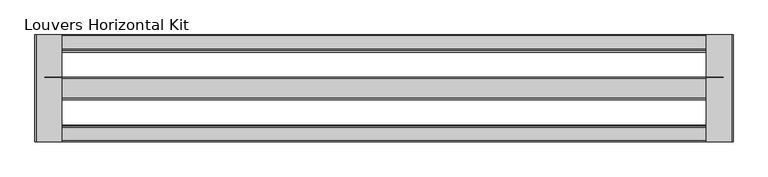
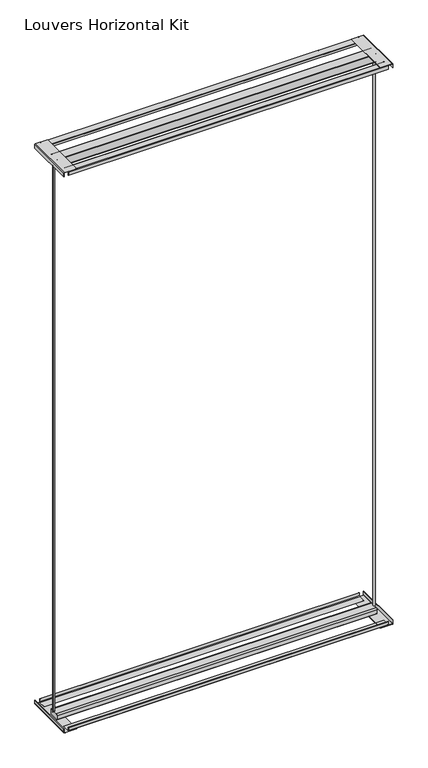
"""IFC4 building model written with IfcOpenShell, lengths in millimetres: proxy geometry, Louvers Horizontal Kit."""

from ifc_helpers import new_model, si_unit, point, frame, frame_2d, origin, place, context, project, spatial, polyline, circle_curve, trimmed, segment, composite_curve, outline, extrude, source, transform, mapped, element, save
from ifc_brep_helpers import plane_surface, extruded_surface, spline_curve, advanced_brep


def louvers_horizontal_kit_f5706574(model_context):
    return source(origin(), model_context, "Body", "SolidModel", [
        advanced_brep(
        [(-969.2080688, 120.8643375, 3016.9358), (-975.5410766, 120.8643375, 3016.9358), (-969.2080688, 120.8643375, 31.115), (-975.5410766, 120.8643375, 31.115)],
        [
            (0, 1, spline_curve(3, [(-969.2080688, 120.8643375, 3016.9358), (-968.346431651, 120.8643375, 3016.9358), (-968.592938619, 122.678814497, 3016.9358), (-968.170795677, 125.557771507, 3016.9358), (-967.197296601, 126.219830558, 3016.9358), (-965.893051679, 125.472512128, 3016.9358), (-965.474695585, 124.437044374, 3016.9358), (-964.711853267, 122.876749386, 3016.9358), (-964.372639749, 122.28921433, 3016.9358), (-963.783039441, 121.966510283, 3016.9358), (-963.527697432, 122.166468989, 3016.9358), (-963.388906304, 123.158462727, 3016.9358), (-963.563673111, 124.030851771, 3016.9358), (-964.361391369, 125.815290115, 3016.9358), (-965.103866149, 126.65959334, 3016.9358), (-966.886815359, 127.456197295, 3016.9358), (-967.90808438, 127.456197285, 3016.9358), (-969.591989813, 126.93883953, 3016.9358), (-970.248862942, 126.413516951, 3016.9358), (-971.306712359, 124.849776593, 3016.9358), (-971.731832089, 123.956570953, 3016.9358), (-972.556038916, 122.979614008, 3016.9358), (-972.954345323, 122.834642391, 3016.9358), (-973.565022803, 123.317250084, 3016.9358), (-973.793448578, 123.690551025, 3016.9358), (-974.326755292, 124.050596217, 3016.9358), (-974.61503674, 123.762314832, 3016.9358), (-975.701641567, 122.082377418, 3016.9358), (-976.416158108, 120.8643375, 3016.9358), (-975.5410766, 120.8643375, 3016.9358)], [4, 2, 2, 2, 2, 2, 2, 2, 2, 2, 2, 2, 2, 2, 4], [0.0, 0.008875458975060613, 0.020481200193104176, 0.029854806107422374, 0.03706210961387012, 0.04368861427224201, 0.051259934554953854, 0.06112024851948062, 0.07042349959220107, 0.079869975820476, 0.08715114258611921, 0.09382589082280558, 0.09814811090978548, 0.10456508278359171, 0.1100107556129994])),
            (1, 0),
            (2, 3),
            (3, 2, spline_curve(3, [(-975.5410766, 120.8643375, 31.115), (-976.416158108, 120.8643375, 31.115), (-975.701641567, 122.082377418, 31.115), (-974.61503674, 123.762314832, 31.115), (-974.326755292, 124.050596217, 31.115), (-973.793448578, 123.690551025, 31.115), (-973.565022803, 123.317250084, 31.115), (-972.954345323, 122.834642391, 31.115), (-972.556038916, 122.979614008, 31.115), (-971.731832089, 123.956570953, 31.115), (-971.306712359, 124.849776593, 31.115), (-970.248862942, 126.413516951, 31.115), (-969.591989813, 126.93883953, 31.115), (-967.90808438, 127.456197285, 31.115), (-966.886815359, 127.456197295, 31.115), (-965.103866149, 126.65959334, 31.115), (-964.361391369, 125.815290115, 31.115), (-963.563673111, 124.030851771, 31.115), (-963.388906304, 123.158462727, 31.115), (-963.527697432, 122.166468989, 31.115), (-963.783039441, 121.966510283, 31.115), (-964.372639749, 122.28921433, 31.115), (-964.711853267, 122.876749386, 31.115), (-965.474695585, 124.437044374, 31.115), (-965.893051679, 125.472512128, 31.115), (-967.197296601, 126.219830558, 31.115), (-968.170795677, 125.557771507, 31.115), (-968.592938619, 122.678814497, 31.115), (-968.346431651, 120.8643375, 31.115), (-969.2080688, 120.8643375, 31.115)], [4, 2, 2, 2, 2, 2, 2, 2, 2, 2, 2, 2, 2, 2, 4], [0.0, 0.005445672829407694, 0.011862644703213923, 0.01618486479019382, 0.022859613026880193, 0.0301407797925234, 0.039587256020798336, 0.04889050709351878, 0.05875082105804555, 0.0663221413407574, 0.07294864599912929, 0.08015594950557703, 0.08952955541989523, 0.10113529663793878, 0.1100107556129994])),
            (0, 2),
            (3, 1),
        ],
        [
            plane_surface(frame((-140.5124567, 122.4609375, 3016.9358), z_axis=(0.0, 0.0, 1.0), x_axis=(0.0, -1.0, 0.0))),
            plane_surface(frame((-140.5124567, 122.4609375, 31.115), z_axis=(0.0, 0.0, -1.0), x_axis=(0.0, -1.0, 0.0))),
            extruded_surface(spline_curve(3, [(-969.2080688, 120.8643375, 31.115), (-968.346431651, 120.8643375, 31.115), (-968.592938619, 122.678814497, 31.115), (-968.170795677, 125.557771507, 31.115), (-967.197296601, 126.219830558, 31.115), (-965.893051679, 125.472512128, 31.115), (-965.474695585, 124.437044374, 31.115), (-964.711853267, 122.876749386, 31.115), (-964.372639749, 122.28921433, 31.115), (-963.783039441, 121.966510283, 31.115), (-963.527697432, 122.166468989, 31.115), (-963.388906304, 123.158462727, 31.115), (-963.563673111, 124.030851771, 31.115), (-964.361391369, 125.815290115, 31.115), (-965.103866149, 126.65959334, 31.115), (-966.886815359, 127.456197295, 31.115), (-967.90808438, 127.456197285, 31.115), (-969.591989813, 126.93883953, 31.115), (-970.248862942, 126.413516951, 31.115), (-971.306712359, 124.849776593, 31.115), (-971.731832089, 123.956570953, 31.115), (-972.556038916, 122.979614008, 31.115), (-972.954345323, 122.834642391, 31.115), (-973.565022803, 123.317250084, 31.115), (-973.793448578, 123.690551025, 31.115), (-974.326755292, 124.050596217, 31.115), (-974.61503674, 123.762314832, 31.115), (-975.701641567, 122.082377418, 31.115), (-976.416158108, 120.8643375, 31.115), (-975.5410766, 120.8643375, 31.115)], [4, 2, 2, 2, 2, 2, 2, 2, 2, 2, 2, 2, 2, 2, 4], [0.0, 0.008875458975060613, 0.020481200193104176, 0.029854806107422374, 0.03706210961387012, 0.04368861427224201, 0.051259934554953854, 0.06112024851948062, 0.07042349959220107, 0.079869975820476, 0.08715114258611921, 0.09382589082280558, 0.09814811090978548, 0.10456508278359171, 0.1100107556129994]), (0.0, 0.0, 2985.8208000000004), 2985.8208000000004),
            plane_surface(frame((-975.5410766, 120.8643375, 3016.9358), z_axis=(0.0, -1.0, 0.0), x_axis=(0.0, 0.0, -1.0))),
        ],
        [
            (0, [[1, 2]]),
            (1, [[3, 4]]),
            (2, [[-1, 5, -4, 6]]),
            (3, [[-2, -6, -3, -5]]),
        ],
    ),
        advanced_brep(
        [(688.1582152, 124.0575375, 3016.9358), (694.4912229, 124.0575375, 3016.9358), (688.1582152, 124.0575375, 31.115), (694.4912229, 124.0575375, 31.115)],
        [
            (0, 1, spline_curve(3, [(688.1582152, 124.0575375, 3016.9358), (687.296578051, 124.0575375, 3016.9358), (687.543085019, 122.243060503, 3016.9358), (687.120942077, 119.364103493, 3016.9358), (686.147443001, 118.702044442, 3016.9358), (684.843198079, 119.449362872, 3016.9358), (684.424841985, 120.484830626, 3016.9358), (683.661999667, 122.045125614, 3016.9358), (683.322786149, 122.63266067, 3016.9358), (682.733185841, 122.955364717, 3016.9358), (682.477843832, 122.755406011, 3016.9358), (682.339052704, 121.763412273, 3016.9358), (682.513819511, 120.891023229, 3016.9358), (683.311537769, 119.106584885, 3016.9358), (684.054012549, 118.26228166, 3016.9358), (685.836961759, 117.465677705, 3016.9358), (686.85823078, 117.465677715, 3016.9358), (688.542136213, 117.98303547, 3016.9358), (689.199009342, 118.508358049, 3016.9358), (690.256858759, 120.072098407, 3016.9358), (690.681978489, 120.965304047, 3016.9358), (691.506185316, 121.942260992, 3016.9358), (691.904491723, 122.087232609, 3016.9358), (692.515169203, 121.604624916, 3016.9358), (692.743594978, 121.231323975, 3016.9358), (693.276901692, 120.871278783, 3016.9358), (693.56518304, 121.159560168, 3016.9358), (694.651787867, 122.839497582, 3016.9358), (695.366304408, 124.0575375, 3016.9358), (694.4912229, 124.0575375, 3016.9358)], [4, 2, 2, 2, 2, 2, 2, 2, 2, 2, 2, 2, 2, 2, 4], [0.0, 0.008875458975060613, 0.020481200193104176, 0.029854806107422374, 0.03706210961387012, 0.04368861427224201, 0.051259934554953854, 0.06112024851948062, 0.07042349959220107, 0.079869975820476, 0.08715114258611921, 0.09382589082280558, 0.09814811090978548, 0.10456508278359171, 0.1100107556129994])),
            (1, 0),
            (2, 3),
            (3, 2, spline_curve(3, [(694.4912229, 124.0575375, 31.115), (695.366304408, 124.0575375, 31.115), (694.651787867, 122.839497582, 31.115), (693.56518304, 121.159560168, 31.115), (693.276901692, 120.871278783, 31.115), (692.743594978, 121.231323975, 31.115), (692.515169203, 121.604624916, 31.115), (691.904491723, 122.087232609, 31.115), (691.506185316, 121.942260992, 31.115), (690.681978489, 120.965304047, 31.115), (690.256858759, 120.072098407, 31.115), (689.199009342, 118.508358049, 31.115), (688.542136213, 117.98303547, 31.115), (686.85823078, 117.465677715, 31.115), (685.836961759, 117.465677705, 31.115), (684.054012549, 118.26228166, 31.115), (683.311537769, 119.106584885, 31.115), (682.513819511, 120.891023229, 31.115), (682.339052704, 121.763412273, 31.115), (682.477843832, 122.755406011, 31.115), (682.733185841, 122.955364717, 31.115), (683.322786149, 122.63266067, 31.115), (683.661999667, 122.045125614, 31.115), (684.424841985, 120.484830626, 31.115), (684.843198079, 119.449362872, 31.115), (686.147443001, 118.702044442, 31.115), (687.120942077, 119.364103493, 31.115), (687.543085019, 122.243060503, 31.115), (687.296578051, 124.0575375, 31.115), (688.1582152, 124.0575375, 31.115)], [4, 2, 2, 2, 2, 2, 2, 2, 2, 2, 2, 2, 2, 2, 4], [0.0, 0.005445672829407694, 0.011862644703213923, 0.01618486479019382, 0.022859613026880193, 0.0301407797925234, 0.039587256020798336, 0.04889050709351878, 0.05875082105804555, 0.0663221413407574, 0.07294864599912929, 0.08015594950557703, 0.08952955541989523, 0.10113529663793878, 0.1100107556129994])),
            (0, 2),
            (3, 1),
        ],
        [
            plane_surface(frame((-140.5124567, 122.4609375, 3016.9358), z_axis=(0.0, 0.0, 1.0), x_axis=(0.0, -1.0, 0.0))),
            plane_surface(frame((-140.5124567, 122.4609375, 31.115), z_axis=(0.0, 0.0, -1.0), x_axis=(0.0, -1.0, 0.0))),
            extruded_surface(spline_curve(3, [(688.1582152, 124.0575375, 31.115), (687.296578051, 124.0575375, 31.115), (687.543085019, 122.243060503, 31.115), (687.120942077, 119.364103493, 31.115), (686.147443001, 118.702044442, 31.115), (684.843198079, 119.449362872, 31.115), (684.424841985, 120.484830626, 31.115), (683.661999667, 122.045125614, 31.115), (683.322786149, 122.63266067, 31.115), (682.733185841, 122.955364717, 31.115), (682.477843832, 122.755406011, 31.115), (682.339052704, 121.763412273, 31.115), (682.513819511, 120.891023229, 31.115), (683.311537769, 119.106584885, 31.115), (684.054012549, 118.26228166, 31.115), (685.836961759, 117.465677705, 31.115), (686.85823078, 117.465677715, 31.115), (688.542136213, 117.98303547, 31.115), (689.199009342, 118.508358049, 31.115), (690.256858759, 120.072098407, 31.115), (690.681978489, 120.965304047, 31.115), (691.506185316, 121.942260992, 31.115), (691.904491723, 122.087232609, 31.115), (692.515169203, 121.604624916, 31.115), (692.743594978, 121.231323975, 31.115), (693.276901692, 120.871278783, 31.115), (693.56518304, 121.159560168, 31.115), (694.651787867, 122.839497582, 31.115), (695.366304408, 124.0575375, 31.115), (694.4912229, 124.0575375, 31.115)], [4, 2, 2, 2, 2, 2, 2, 2, 2, 2, 2, 2, 2, 2, 4], [0.0, 0.008875458975060613, 0.020481200193104176, 0.029854806107422374, 0.03706210961387012, 0.04368861427224201, 0.051259934554953854, 0.06112024851948062, 0.07042349959220107, 0.079869975820476, 0.08715114258611921, 0.09382589082280558, 0.09814811090978548, 0.10456508278359171, 0.1100107556129994]), (0.0, 0.0, 2985.8208000000004), 2985.8208000000004),
            plane_surface(frame((694.4912229, 124.0575375, 3016.9358), z_axis=(0.0, 1.0, 0.0), x_axis=(0.0, 0.0, -1.0))),
        ],
        [
            (0, [[1, 2]]),
            (1, [[3, 4]]),
            (2, [[-1, 5, -4, 6]]),
            (3, [[-2, -6, -3, -5]]),
        ],
    ),
        extrude(outline(composite_curve([segment(polyline([(3057.8565742, -991.4124567), (3038.475, -991.4124567), (3038.475, -989.8249567), (3058.2567188, -989.8249567)]), True, "CONTINUOUS"), segment(trimmed(circle_curve(frame_2d((3058.2567188, -988.9691755)), 0.8557812), [point((3058.2567188, -989.8249567))], [point((3059.1125, -988.9691755))], True, "CARTESIAN"), True, "CONTINUOUS"), segment(polyline([(3059.1125, -988.9691755), (3059.1125, -926.3249567), (3060.7, -926.3249567), (3060.7, -988.5690309)]), True, "CONTINUOUS"), segment(trimmed(circle_curve(frame_2d((3057.8565742, -988.5690309)), 2.8434258), [point((3060.7, -988.5690309))], [point((3057.8565742, -991.4124567))], False, "CARTESIAN"), True, "CONTINUOUS")], self_intersect=False)), frame((0.0, -7.7140625, 0.0), z_axis=(0.0, 1.0, 0.0), x_axis=(0.0, 0.0, 1.0)), (0.0, 0.0, 1.0), 260.35),
        extrude(outline(composite_curve([segment(trimmed(circle_curve(frame_2d((3058.0053761, 707.6929194)), 1.1071239), [point((3059.1125, 707.6929194))], [point((3058.0053761, 708.8000433))], True, "CARTESIAN"), True, "CONTINUOUS"), segment(polyline([(3058.0053761, 708.8000433), (3038.475, 708.8000433), (3038.475, 710.3875433), (3058.0291953, 710.3875433)]), True, "CONTINUOUS"), segment(trimmed(circle_curve(frame_2d((3058.0291953, 707.7167386)), 2.6708047), [point((3058.0291953, 710.3875433))], [point((3060.7, 707.7167386))], False, "CARTESIAN"), True, "CONTINUOUS"), segment(polyline([(3060.7, 707.7167386), (3060.7, 645.3000433), (3059.1125, 645.3000433), (3059.1125, 707.6929194)]), True, "CONTINUOUS")], self_intersect=False)), frame((0.0, -7.7140625, 0.0), z_axis=(0.0, 1.0, 0.0), x_axis=(0.0, 0.0, 1.0)), (0.0, 0.0, 1.0), 260.35),
        extrude(outline(composite_curve([segment(polyline([(22.225, -989.8249567), (22.225, -991.4124567), (2.6985254, -991.4124567)]), True, "CONTINUOUS"), segment(trimmed(circle_curve(frame_2d((2.6985254, -988.7139313)), 2.6985254), [point((2.6985254, -991.4124567))], [point((0.0, -988.7139313))], False, "CARTESIAN"), True, "CONTINUOUS"), segment(polyline([(0.0, -988.7139313), (0.0, -926.3249567), (1.5875, -926.3249567), (1.5875, -988.7071948)]), True, "CONTINUOUS"), segment(trimmed(circle_curve(frame_2d((2.7052619, -988.7071948)), 1.1177619), [point((1.5875, -988.7071948))], [point((2.7052619, -989.8249567))], True, "CARTESIAN"), True, "CONTINUOUS"), segment(polyline([(2.7052619, -989.8249567), (22.225, -989.8249567)]), True, "CONTINUOUS")], self_intersect=False)), frame((0.0, -7.7140625, 0.0), z_axis=(0.0, 1.0, 0.0), x_axis=(0.0, 0.0, 1.0)), (0.0, 0.0, 1.0), 260.35),
        extrude(outline(composite_curve([segment(polyline([(1.5875, 645.3000433), (0.0, 645.3000433), (0.0, 707.3913593)]), True, "CONTINUOUS"), segment(trimmed(circle_curve(frame_2d((2.996184, 707.3913593)), 2.996184), [point((0.0, 707.3913593))], [point((2.996184, 710.3875433))], False, "CARTESIAN"), True, "CONTINUOUS"), segment(polyline([(2.996184, 710.3875433), (22.225, 710.3875433), (22.225, 708.8000433), (2.6812433, 708.8000433)]), True, "CONTINUOUS"), segment(trimmed(circle_curve(frame_2d((2.6812433, 707.7062999)), 1.0937433), [point((2.6812433, 708.8000433))], [point((1.5875, 707.7062999))], True, "CARTESIAN"), True, "CONTINUOUS"), segment(polyline([(1.5875, 707.7062999), (1.5875, 645.3000433)]), True, "CONTINUOUS")], self_intersect=False)), frame((0.0, -7.7140625, 0.0), z_axis=(0.0, 1.0, 0.0), x_axis=(0.0, 0.0, 1.0)), (0.0, 0.0, 1.0), 260.35),
        extrude(outline(composite_curve([segment(polyline([(251.4167375, 3038.2837), (251.4167375, 3056.8957431)]), True, "CONTINUOUS"), segment(trimmed(circle_curve(frame_2d((250.3556806, 3056.8957431)), 1.0610569), [point((251.4167375, 3056.8957431))], [point((250.3556806, 3057.9568))], True, "CARTESIAN"), True, "CONTINUOUS"), segment(polyline([(250.3556806, 3057.9568), (217.0862316, 3057.9568)]), True, "CONTINUOUS"), segment(trimmed(circle_curve(frame_2d((217.0862316, 3057.0067059)), 0.9500941), [point((217.0862316, 3057.9568))], [point((216.1361375, 3057.0067059))], True, "CARTESIAN"), True, "CONTINUOUS"), segment(polyline([(216.1361375, 3057.0067059), (216.1361375, 3046.476), (214.9169375, 3046.476), (214.9169375, 3056.9663772)]), True, "CONTINUOUS"), segment(trimmed(circle_curve(frame_2d((217.1265603, 3056.9663772)), 2.2096228), [point((214.9169375, 3056.9663772))], [point((217.1265603, 3059.176))], False, "CARTESIAN"), True, "CONTINUOUS"), segment(polyline([(217.1265603, 3059.176), (250.3692739, 3059.176)]), True, "CONTINUOUS"), segment(trimmed(circle_curve(frame_2d((250.3692739, 3056.9093364)), 2.2666636), [point((250.3692739, 3059.176))], [point((252.6359375, 3056.9093364))], False, "CARTESIAN"), True, "CONTINUOUS"), segment(polyline([(252.6359375, 3056.9093364), (252.6359375, 3038.2837), (251.4167375, 3038.2837)]), True, "CONTINUOUS")], self_intersect=False)), frame((-967.6126567, 0.0, 0.0), z_axis=(1.0, 0.0, 0.0), x_axis=(0.0, 1.0, 0.0)), (0.0, 0.0, 1.0), 1654.2004),
        extrude(outline(composite_curve([segment(trimmed(circle_curve(frame_2d((147.1993917, 3058.0115342)), 2.6884658), [point((147.1993917, 3060.7))], [point((149.8878575, 3058.0115342))], False, "CARTESIAN"), True, "CONTINUOUS"), segment(polyline([(149.8878575, 3058.0115342), (149.8878575, 3021.8509875)]), True, "CONTINUOUS"), segment(trimmed(circle_curve(frame_2d((144.97267, 3021.8509875)), 4.9151875), [point((149.8878575, 3021.8509875))], [point((144.97267, 3016.9358))], False, "CARTESIAN"), True, "CONTINUOUS"), segment(polyline([(144.97267, 3016.9358), (97.7410837, 3016.9358)]), True, "CONTINUOUS"), segment(trimmed(circle_curve(frame_2d((97.7410837, 3019.6428662)), 2.7070662), [point((97.7410837, 3016.9358))], [point((95.0340175, 3019.6428662))], False, "CARTESIAN"), True, "CONTINUOUS"), segment(polyline([(95.0340175, 3019.6428662), (95.0340175, 3057.9567899)]), True, "CONTINUOUS"), segment(trimmed(circle_curve(frame_2d((97.7772276, 3057.9567899)), 2.7432101), [point((95.0340175, 3057.9567899))], [point((97.7772276, 3060.7))], False, "CARTESIAN"), True, "CONTINUOUS"), segment(polyline([(97.7772276, 3060.7), (147.1993917, 3060.7)]), True, "CONTINUOUS")], self_intersect=False)), frame((-967.6126567, 0.0, 0.0), z_axis=(1.0, 0.0, 0.0), x_axis=(0.0, 1.0, 0.0)), (0.0, 0.0, 1.0), 1654.2004),
        extrude(outline(composite_curve([segment(trimmed(circle_curve(frame_2d((27.7925673, 3056.9636298)), 2.2123702), [point((27.7925673, 3059.176))], [point((30.0049375, 3056.9636298))], False, "CARTESIAN"), True, "CONTINUOUS"), segment(polyline([(30.0049375, 3056.9636298), (30.0049375, 3046.476), (28.7857375, 3046.476), (28.7857375, 3056.9123345)]), True, "CONTINUOUS"), segment(trimmed(circle_curve(frame_2d((27.741272, 3056.9123345)), 1.0444655), [point((28.7857375, 3056.9123345))], [point((27.741272, 3057.9568))], True, "CARTESIAN"), True, "CONTINUOUS"), segment(polyline([(27.741272, 3057.9568), (-5.426417, 3057.9568)]), True, "CONTINUOUS"), segment(trimmed(circle_curve(frame_2d((-5.426417, 3056.8883545)), 1.0684455), [point((-5.426417, 3057.9568))], [point((-6.4948625, 3056.8883545))], True, "CARTESIAN"), True, "CONTINUOUS"), segment(polyline([(-6.4948625, 3056.8883545), (-6.4948625, 3038.2837), (-7.7140625, 3038.2837), (-7.7140625, 3057.0781083)]), True, "CONTINUOUS"), segment(trimmed(circle_curve(frame_2d((-5.6161708, 3057.0781083)), 2.0978917), [point((-7.7140625, 3057.0781083))], [point((-5.6161708, 3059.176))], False, "CARTESIAN"), True, "CONTINUOUS"), segment(polyline([(-5.6161708, 3059.176), (27.7925673, 3059.176)]), True, "CONTINUOUS")], self_intersect=False)), frame((-967.6126567, 0.0, 0.0), z_axis=(1.0, 0.0, 0.0), x_axis=(0.0, 1.0, 0.0)), (0.0, 0.0, 1.0), 1654.2004),
        extrude(outline(composite_curve([segment(polyline([(-3.7463885, 3.04292), (33.5609375, 3.04292), (33.5609375, 1.524), (-3.7920205, 1.524)]), True, "CONTINUOUS"), segment(trimmed(circle_curve(frame_2d((-3.7920205, 5.446042)), 3.922042), [point((-3.7920205, 1.524))], [point((-7.7140625, 5.446042))], False, "CARTESIAN"), True, "CONTINUOUS"), segment(polyline([(-7.7140625, 5.446042), (-7.7140625, 22.1615), (-6.1951425, 22.1615), (-6.1951425, 5.491674)]), True, "CONTINUOUS"), segment(trimmed(circle_curve(frame_2d((-3.7463885, 5.491674)), 2.448754), [point((-6.1951425, 5.491674))], [point((-3.7463885, 3.04292))], True, "CARTESIAN"), True, "CONTINUOUS")], self_intersect=False)), frame((-967.6126567, 0.0, 0.0), z_axis=(1.0, 0.0, 0.0), x_axis=(0.0, 1.0, 0.0)), (0.0, 0.0, 1.0), 1654.2004),
        extrude(outline(composite_curve([segment(trimmed(circle_curve(frame_2d((101.6888175, 24.765)), 6.35), [point((95.3388175, 24.765))], [point((101.6888175, 31.115))], False, "CARTESIAN"), True, "CONTINUOUS"), segment(polyline([(101.6888175, 31.115), (143.2330575, 31.115)]), True, "CONTINUOUS"), segment(trimmed(circle_curve(frame_2d((143.2330575, 24.765)), 6.35), [point((143.2330575, 31.115))], [point((149.5830575, 24.765))], False, "CARTESIAN"), True, "CONTINUOUS"), segment(polyline([(149.5830575, 24.765), (149.5830575, 1.7671503)]), True, "CONTINUOUS"), segment(trimmed(circle_curve(frame_2d((147.8159072, 1.7671503)), 1.7671503), [point((149.5830575, 1.7671503))], [point((147.8159072, 0.0))], False, "CARTESIAN"), True, "CONTINUOUS"), segment(polyline([(147.8159072, 0.0), (97.1991443, 0.0)]), True, "CONTINUOUS"), segment(trimmed(circle_curve(frame_2d((97.1991443, 1.8603268)), 1.8603268), [point((97.1991443, 0.0))], [point((95.3388175, 1.8603268))], False, "CARTESIAN"), True, "CONTINUOUS"), segment(polyline([(95.3388175, 1.8603268), (95.3388175, 24.765)]), True, "CONTINUOUS")], self_intersect=False)), frame((-967.6126567, 0.0, 0.0), z_axis=(1.0, 0.0, 0.0), x_axis=(0.0, 1.0, 0.0)), (0.0, 0.0, 1.0), 1654.2004),
        extrude(outline(composite_curve([segment(polyline([(211.3609375, 3.04292), (248.7131659, 3.04292)]), True, "CONTINUOUS"), segment(trimmed(circle_curve(frame_2d((248.7131659, 5.4467716)), 2.4038516), [point((248.7131659, 3.04292))], [point((251.1170175, 5.4467716))], True, "CARTESIAN"), True, "CONTINUOUS"), segment(polyline([(251.1170175, 5.4467716), (251.1170175, 22.1615), (252.6359375, 22.1615), (252.6359375, 5.4526681)]), True, "CONTINUOUS"), segment(trimmed(circle_curve(frame_2d((248.7072694, 5.4526681)), 3.9286681), [point((252.6359375, 5.4526681))], [point((248.7072694, 1.524))], False, "CARTESIAN"), True, "CONTINUOUS"), segment(polyline([(248.7072694, 1.524), (211.3609375, 1.524), (211.3609375, 3.04292)]), True, "CONTINUOUS")], self_intersect=False)), frame((-967.6126567, 0.0, 0.0), z_axis=(1.0, 0.0, 0.0), x_axis=(0.0, 1.0, 0.0)), (0.0, 0.0, 1.0), 1654.2004),
    ])


if __name__ == "__main__":
    model = new_model("IFC4")
    model_context = context("Model", 3, world=origin())
    ifc_project = project(units=[si_unit("LENGTHUNIT", "METRE", prefix="MILLI")], contexts=[model_context])
    site = spatial("IfcSite", under=ifc_project)
    building = spatial("IfcBuilding", under=site)
    placement = place(None, origin())
    louvers_horizontal_kit_shape = louvers_horizontal_kit_f5706574(model_context)
    element("IfcBuildingElementProxy", 1, Name="Louvers Horizontal Kit", ObjectType="Louvers Horizontal Kit", at=placement, inside=building, context=model_context, shape_type="MappedRepresentation", body=[
        mapped(louvers_horizontal_kit_shape, transform((0.0, 0.0, 0.0), x_axis=(1.0, 0.0, 0.0), y_axis=(0.0, 1.0, 0.0), z_axis=(0.0, 0.0, 1.0))),
    ])
    save(model, "model.ifc")
